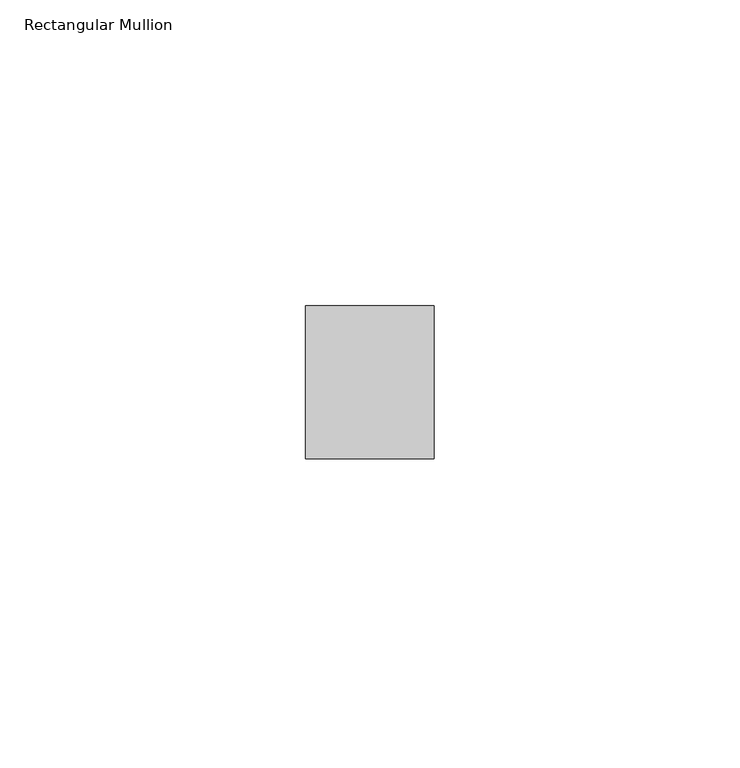
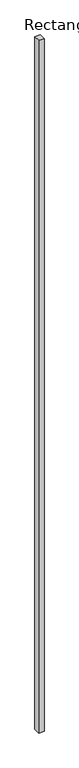
"""IFC4 building model written with IfcOpenShell, lengths in millimetres: member geometry, Rectangular Mullion."""

from ifc_helpers import new_model, si_unit, frame, origin, place, context, project, spatial, polyline, outline, extrude, source, transform, mapped, element, save


def rectangular_mullion_d7a3ade9(model_context):
    return source(origin(), model_context, "Body", "SweptSolid", [
        extrude(outline(polyline([(0.0, 12.5), (0.0, -12.5), (-21.0, -12.5), (-21.0, 12.5), (0.0, 12.5)])), frame((0.0, 0.0, -2850.0), z_axis=(0.0, 0.0, 1.0), x_axis=(1.0, 0.0, 0.0)), (0.0, 0.0, 1.0), 2850.0),
    ])


if __name__ == "__main__":
    model = new_model("IFC4")
    model_context = context("Model", 3, world=origin())
    ifc_project = project(units=[si_unit("LENGTHUNIT", "METRE", prefix="MILLI")], contexts=[model_context])
    site = spatial("IfcSite", under=ifc_project)
    building = spatial("IfcBuilding", under=site)
    placement = place(None, origin())
    rectangular_mullion_shape = rectangular_mullion_d7a3ade9(model_context)
    element("IfcMember", 1, ObjectType="Rectangular Mullion", at=placement, inside=building, context=model_context, shape_type="MappedRepresentation", body=[
        mapped(rectangular_mullion_shape, transform((0.0, 0.0, 0.0), x_axis=(1.0, 0.0, 0.0), y_axis=(0.0, 1.0, 0.0), z_axis=(0.0, 0.0, 1.0))),
    ])
    save(model, "model.ifc")
